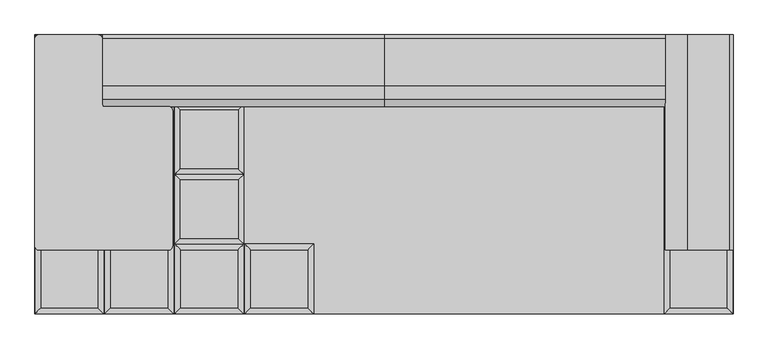
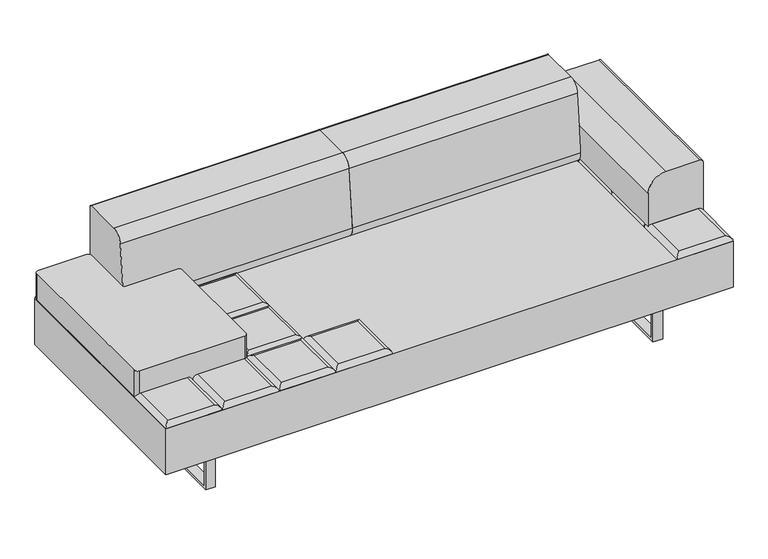
"""IFC4 building model written with IfcOpenShell, lengths in millimetres: furniture geometry."""

from ifc_helpers import new_model, si_unit, point, frame, frame_2d, origin, place, context, project, spatial, polyline, circle_curve, ellipse_curve, trimmed, segment, composite_curve, outline, extrude, source, transform, mapped, element, save
from ifc_brep_helpers import plane_surface, cylinder_surface, advanced_brep


def furniture_63b3a1bb(model_context):
    return source(origin(), model_context, "Body", "SolidModel", [
        advanced_brep(
        [(-223.9433333, -222.25, 393.7), (-241.9038456, -240.2105122, 411.6605122), (-241.9038456, -426.5394878, 411.6605122), (-223.9433333, -444.5, 393.7), (-425.6928211, -426.5394878, 411.6605122), (-443.6533333, -444.5, 393.7), (-425.6928211, -240.2105122, 411.6605122), (-443.6533333, -222.25, 393.7)],
        [
            (0, 1, ellipse_curve(frame((-241.9038456, -240.2105122, 393.7), z_axis=(0.7071067811865475, -0.7071067811865475, 0.0), x_axis=(0.7071067811865474, 0.7071067811865476, 0.0)), 25.4, 17.9605122)),
            (1, 2),
            (2, 3, ellipse_curve(frame((-241.9038456, -426.5394878, 393.7), z_axis=(0.7071067811865475, 0.7071067811865475, 0.0), x_axis=(-0.7071067811865474, 0.7071067811865476, 0.0)), 25.4, 17.9605122)),
            (3, 0),
            (2, 4),
            (4, 5, ellipse_curve(frame((-425.6928211, -426.5394878, 393.7), z_axis=(0.7071067811865475, -0.7071067811865475, 0.0), x_axis=(0.7071067811865476, 0.7071067811865474, 0.0)), 25.4, 17.9605122)),
            (5, 3),
            (4, 6),
            (6, 7, ellipse_curve(frame((-425.6928211, -240.2105122, 393.7), z_axis=(-0.7071067811865475, -0.7071067811865475, 0.0), x_axis=(0.7071067811865474, -0.7071067811865476, 0.0)), 25.4, 17.9605122)),
            (7, 5),
            (0, 7),
            (6, 1),
        ],
        [
            cylinder_surface(frame((-241.9038456, -222.25, 393.7), z_axis=(0.0, 1.0, 0.0), x_axis=(1.0, 0.0, 0.0)), 17.9605122),
            cylinder_surface(frame((-223.9433333, -426.5394878, 393.7), z_axis=(1.0, 0.0, 0.0), x_axis=(0.0, -1.0, 0.0)), 17.9605122),
            cylinder_surface(frame((-425.6928211, -444.5, 393.7), z_axis=(0.0, -1.0, 0.0), x_axis=(-1.0, 0.0, 0.0)), 17.9605122),
            cylinder_surface(frame((-443.6533333, -240.2105122, 393.7), z_axis=(-1.0, 0.0, 0.0), x_axis=(0.0, 1.0, 0.0)), 17.9605122),
            plane_surface(frame((-443.6533333, -222.25, 393.7), z_axis=(0.0, 0.0, -1.0), x_axis=(1.0, 0.0, 0.0))),
            plane_surface(frame((-425.6928211, -240.2105122, 411.6605122), z_axis=(0.0, 0.0, 1.0), x_axis=(-1.0, 0.0, 0.0))),
        ],
        [
            (0, [[1, 2, 3, 4]]),
            (1, [[-3, 5, 6, 7]]),
            (2, [[-6, 8, 9, 10]]),
            (3, [[-1, 11, -9, 12]]),
            (4, [[-4, -7, -10, -11]]),
            (5, [[-2, -12, -8, -5]]),
        ],
    ),
        advanced_brep(
        [(-464.4360678, -204.2894878, 411.6605122), (-464.4360678, -17.9605122, 411.6605122), (-648.2250433, -17.9605122, 411.6605122), (-648.2250433, -204.2894878, 411.6605122), (-446.4755556, 0.0, 393.7), (-446.4755556, -222.25, 393.7), (-666.1855556, -222.25, 393.7), (-666.1855556, 0.0, 393.7)],
        [
            (0, 1),
            (1, 2),
            (2, 3),
            (3, 0),
            (4, 5),
            (5, 6),
            (6, 7),
            (7, 4),
            (4, 1, ellipse_curve(frame((-464.4360678, -17.9605122, 393.7), z_axis=(0.7071067811865475, -0.7071067811865475, 0.0), x_axis=(0.7071067811865474, 0.7071067811865476, 0.0)), 25.4, 17.9605122)),
            (0, 5, ellipse_curve(frame((-464.4360678, -204.2894878, 393.7), z_axis=(0.7071067811865475, 0.7071067811865475, 0.0), x_axis=(-0.7071067811865474, 0.7071067811865476, 0.0)), 25.4, 17.9605122)),
            (3, 6, ellipse_curve(frame((-648.2250433, -204.2894878, 393.7), z_axis=(0.7071067811865475, -0.7071067811865475, 0.0), x_axis=(0.7071067811865476, 0.7071067811865474, 0.0)), 25.4, 17.9605122)),
            (2, 7, ellipse_curve(frame((-648.2250433, -17.9605122, 393.7), z_axis=(-0.7071067811865475, -0.7071067811865475, 0.0), x_axis=(0.7071067811865474, -0.7071067811865476, 0.0)), 25.4, 17.9605122)),
        ],
        [
            plane_surface(frame((-648.2250433, -17.9605122, 411.6605122), z_axis=(0.0, 0.0, 1.0), x_axis=(-1.0, 0.0, 0.0))),
            plane_surface(frame((-648.2250433, -17.9605122, 393.7), z_axis=(0.0, 0.0, -1.0), x_axis=(1.0, 0.0, 0.0))),
            cylinder_surface(frame((-464.4360678, 0.0, 393.7), z_axis=(0.0, 1.0, 0.0), x_axis=(1.0, 0.0, 0.0)), 17.9605122),
            cylinder_surface(frame((-446.4755556, -204.2894878, 393.7), z_axis=(1.0, 0.0, 0.0), x_axis=(0.0, -1.0, 0.0)), 17.9605122),
            cylinder_surface(frame((-648.2250433, -222.25, 393.7), z_axis=(0.0, -1.0, 0.0), x_axis=(-1.0, 0.0, 0.0)), 17.9605122),
            cylinder_surface(frame((-666.1855556, -17.9605122, 393.7), z_axis=(-1.0, 0.0, 0.0), x_axis=(0.0, 1.0, 0.0)), 17.9605122),
        ],
        [
            (0, [[1, 2, 3, 4]]),
            (1, [[5, 6, 7, 8]]),
            (2, [[9, -1, 10, -5]]),
            (3, [[-10, -4, 11, -6]]),
            (4, [[-11, -3, 12, -7]]),
            (5, [[-9, -8, -12, -2]]),
        ],
    ),
        advanced_brep(
        [(-464.4360678, 17.9605122, 411.6605122), (-464.4360678, 204.2894878, 411.6605122), (-648.2250433, 204.2894878, 411.6605122), (-648.2250433, 17.9605122, 411.6605122), (-446.4755556, 222.25, 393.7), (-446.4755556, 0.0, 393.7), (-666.1855556, 0.0, 393.7), (-666.1855556, 222.25, 393.7)],
        [
            (0, 1),
            (1, 2),
            (2, 3),
            (3, 0),
            (4, 5),
            (5, 6),
            (6, 7),
            (7, 4),
            (4, 1, ellipse_curve(frame((-464.4360678, 204.2894878, 393.7), z_axis=(0.7071067811865475, -0.7071067811865475, 0.0), x_axis=(0.7071067811865474, 0.7071067811865476, 0.0)), 25.4, 17.9605122)),
            (0, 5, ellipse_curve(frame((-464.4360678, 17.9605122, 393.7), z_axis=(0.7071067811865475, 0.7071067811865475, 0.0), x_axis=(-0.7071067811865474, 0.7071067811865476, 0.0)), 25.4, 17.9605122)),
            (3, 6, ellipse_curve(frame((-648.2250433, 17.9605122, 393.7), z_axis=(0.7071067811865475, -0.7071067811865475, 0.0), x_axis=(0.7071067811865476, 0.7071067811865474, 0.0)), 25.4, 17.9605122)),
            (2, 7, ellipse_curve(frame((-648.2250433, 204.2894878, 393.7), z_axis=(-0.7071067811865475, -0.7071067811865475, 0.0), x_axis=(0.7071067811865474, -0.7071067811865476, 0.0)), 25.4, 17.9605122)),
        ],
        [
            plane_surface(frame((-648.2250433, 204.2894878, 411.6605122), z_axis=(0.0, 0.0, 1.0), x_axis=(-1.0, 0.0, 0.0))),
            plane_surface(frame((-648.2250433, 204.2894878, 393.7), z_axis=(0.0, 0.0, -1.0), x_axis=(1.0, 0.0, 0.0))),
            cylinder_surface(frame((-464.4360678, 222.25, 393.7), z_axis=(0.0, 1.0, 0.0), x_axis=(1.0, 0.0, 0.0)), 17.9605122),
            cylinder_surface(frame((-446.4755556, 17.9605122, 393.7), z_axis=(1.0, 0.0, 0.0), x_axis=(0.0, -1.0, 0.0)), 17.9605122),
            cylinder_surface(frame((-648.2250433, 0.0, 393.7), z_axis=(0.0, -1.0, 0.0), x_axis=(-1.0, 0.0, 0.0)), 17.9605122),
            cylinder_surface(frame((-666.1855556, 204.2894878, 393.7), z_axis=(-1.0, 0.0, 0.0), x_axis=(0.0, 1.0, 0.0)), 17.9605122),
        ],
        [
            (0, [[1, 2, 3, 4]]),
            (1, [[5, 6, 7, 8]]),
            (2, [[9, -1, 10, -5]]),
            (3, [[-10, -4, 11, -6]]),
            (4, [[-11, -3, 12, -7]]),
            (5, [[-9, -8, -12, -2]]),
        ],
    ),
        advanced_brep(
        [(-464.4360678, 240.2105122, 411.6605122), (-464.4360678, 426.5394878, 411.6605122), (-648.2250433, 426.5394878, 411.6605122), (-648.2250433, 240.2105122, 411.6605122), (-446.4755556, 444.5, 393.7), (-446.4755556, 222.25, 393.7), (-666.1855556, 222.25, 393.7), (-666.1855556, 444.5, 393.7)],
        [
            (0, 1),
            (1, 2),
            (2, 3),
            (3, 0),
            (4, 5),
            (5, 6),
            (6, 7),
            (7, 4),
            (4, 1, ellipse_curve(frame((-464.4360678, 426.5394878, 393.7), z_axis=(0.7071067811865475, -0.7071067811865475, 0.0), x_axis=(0.7071067811865474, 0.7071067811865476, 0.0)), 25.4, 17.9605122)),
            (0, 5, ellipse_curve(frame((-464.4360678, 240.2105122, 393.7), z_axis=(0.7071067811865475, 0.7071067811865475, 0.0), x_axis=(-0.7071067811865474, 0.7071067811865476, 0.0)), 25.4, 17.9605122)),
            (3, 6, ellipse_curve(frame((-648.2250433, 240.2105122, 393.7), z_axis=(0.7071067811865475, -0.7071067811865475, 0.0), x_axis=(0.7071067811865476, 0.7071067811865474, 0.0)), 25.4, 17.9605122)),
            (2, 7, ellipse_curve(frame((-648.2250433, 426.5394878, 393.7), z_axis=(-0.7071067811865475, -0.7071067811865475, 0.0), x_axis=(0.7071067811865474, -0.7071067811865476, 0.0)), 25.4, 17.9605122)),
        ],
        [
            plane_surface(frame((-648.2250433, 426.5394878, 411.6605122), z_axis=(0.0, 0.0, 1.0), x_axis=(-1.0, 0.0, 0.0))),
            plane_surface(frame((-648.2250433, 426.5394878, 393.7), z_axis=(0.0, 0.0, -1.0), x_axis=(1.0, 0.0, 0.0))),
            cylinder_surface(frame((-464.4360678, 444.5, 393.7), z_axis=(0.0, 1.0, 0.0), x_axis=(1.0, 0.0, 0.0)), 17.9605122),
            cylinder_surface(frame((-446.4755556, 240.2105122, 393.7), z_axis=(1.0, 0.0, 0.0), x_axis=(0.0, -1.0, 0.0)), 17.9605122),
            cylinder_surface(frame((-648.2250433, 222.25, 393.7), z_axis=(0.0, -1.0, 0.0), x_axis=(-1.0, 0.0, 0.0)), 17.9605122),
            cylinder_surface(frame((-666.1855556, 426.5394878, 393.7), z_axis=(-1.0, 0.0, 0.0), x_axis=(0.0, 1.0, 0.0)), 17.9605122),
        ],
        [
            (0, [[1, 2, 3, 4]]),
            (1, [[5, 6, 7, 8]]),
            (2, [[9, -1, 10, -5]]),
            (3, [[-10, -4, 11, -6]]),
            (4, [[-11, -3, 12, -7]]),
            (5, [[-9, -8, -12, -2]]),
        ],
    ),
        advanced_brep(
        [(-446.4755556, -222.25, 393.7), (-464.4360678, -240.2105122, 411.6605122), (-464.4360678, -426.5394878, 411.6605122), (-446.4755556, -444.5, 393.7), (-648.2250433, -426.5394878, 411.6605122), (-666.1855556, -444.5, 393.7), (-648.2250433, -240.2105122, 411.6605122), (-666.1855556, -222.25, 393.7)],
        [
            (0, 1, ellipse_curve(frame((-464.4360678, -240.2105122, 393.7), z_axis=(0.7071067811865475, -0.7071067811865475, 0.0), x_axis=(0.7071067811865474, 0.7071067811865476, 0.0)), 25.4, 17.9605122)),
            (1, 2),
            (2, 3, ellipse_curve(frame((-464.4360678, -426.5394878, 393.7), z_axis=(0.7071067811865475, 0.7071067811865475, 0.0), x_axis=(-0.7071067811865474, 0.7071067811865476, 0.0)), 25.4, 17.9605122)),
            (3, 0),
            (2, 4),
            (4, 5, ellipse_curve(frame((-648.2250433, -426.5394878, 393.7), z_axis=(0.7071067811865475, -0.7071067811865475, 0.0), x_axis=(0.7071067811865476, 0.7071067811865474, 0.0)), 25.4, 17.9605122)),
            (5, 3),
            (4, 6),
            (6, 7, ellipse_curve(frame((-648.2250433, -240.2105122, 393.7), z_axis=(-0.7071067811865475, -0.7071067811865475, 0.0), x_axis=(0.7071067811865474, -0.7071067811865476, 0.0)), 25.4, 17.9605122)),
            (7, 5),
            (0, 7),
            (6, 1),
        ],
        [
            cylinder_surface(frame((-464.4360678, -222.25, 393.7), z_axis=(0.0, 1.0, 0.0), x_axis=(1.0, 0.0, 0.0)), 17.9605122),
            cylinder_surface(frame((-446.4755556, -426.5394878, 393.7), z_axis=(1.0, 0.0, 0.0), x_axis=(0.0, -1.0, 0.0)), 17.9605122),
            cylinder_surface(frame((-648.2250433, -444.5, 393.7), z_axis=(0.0, -1.0, 0.0), x_axis=(-1.0, 0.0, 0.0)), 17.9605122),
            cylinder_surface(frame((-666.1855556, -240.2105122, 393.7), z_axis=(-1.0, 0.0, 0.0), x_axis=(0.0, 1.0, 0.0)), 17.9605122),
            plane_surface(frame((-666.1855556, -222.25, 393.7), z_axis=(0.0, 0.0, -1.0), x_axis=(1.0, 0.0, 0.0))),
            plane_surface(frame((-648.2250433, -240.2105122, 411.6605122), z_axis=(0.0, 0.0, 1.0), x_axis=(-1.0, 0.0, 0.0))),
        ],
        [
            (0, [[1, 2, 3, 4]]),
            (1, [[-3, 5, 6, 7]]),
            (2, [[-6, 8, 9, 10]]),
            (3, [[-1, 11, -9, 12]]),
            (4, [[-4, -7, -10, -11]]),
            (5, [[-2, -12, -8, -5]]),
        ],
    ),
        advanced_brep(
        [(-686.96829, -204.2894878, 411.6605122), (-686.96829, -17.9605122, 411.6605122), (-870.7572655, -17.9605122, 411.6605122), (-870.7572655, -204.2894878, 411.6605122), (-669.0077778, 0.0, 393.7), (-669.0077778, -222.25, 393.7), (-888.7177778, -222.25, 393.7), (-888.7177778, 0.0, 393.7)],
        [
            (0, 1),
            (1, 2),
            (2, 3),
            (3, 0),
            (4, 5),
            (5, 6),
            (6, 7),
            (7, 4),
            (4, 1, ellipse_curve(frame((-686.96829, -17.9605122, 393.7), z_axis=(0.7071067811865475, -0.7071067811865475, 0.0), x_axis=(0.7071067811865474, 0.7071067811865476, 0.0)), 25.4, 17.9605122)),
            (0, 5, ellipse_curve(frame((-686.96829, -204.2894878, 393.7), z_axis=(0.7071067811865475, 0.7071067811865475, 0.0), x_axis=(-0.7071067811865474, 0.7071067811865476, 0.0)), 25.4, 17.9605122)),
            (3, 6, ellipse_curve(frame((-870.7572655, -204.2894878, 393.7), z_axis=(0.7071067811865475, -0.7071067811865475, 0.0), x_axis=(0.7071067811865476, 0.7071067811865474, 0.0)), 25.4, 17.9605122)),
            (2, 7, ellipse_curve(frame((-870.7572655, -17.9605122, 393.7), z_axis=(-0.7071067811865475, -0.7071067811865475, 0.0), x_axis=(0.7071067811865474, -0.7071067811865476, 0.0)), 25.4, 17.9605122)),
        ],
        [
            plane_surface(frame((-870.7572655, -17.9605122, 411.6605122), z_axis=(0.0, 0.0, 1.0), x_axis=(-1.0, 0.0, 0.0))),
            plane_surface(frame((-870.7572655, -17.9605122, 393.7), z_axis=(0.0, 0.0, -1.0), x_axis=(1.0, 0.0, 0.0))),
            cylinder_surface(frame((-686.96829, 0.0, 393.7), z_axis=(0.0, 1.0, 0.0), x_axis=(1.0, 0.0, 0.0)), 17.9605122),
            cylinder_surface(frame((-669.0077778, -204.2894878, 393.7), z_axis=(1.0, 0.0, 0.0), x_axis=(0.0, -1.0, 0.0)), 17.9605122),
            cylinder_surface(frame((-870.7572655, -222.25, 393.7), z_axis=(0.0, -1.0, 0.0), x_axis=(-1.0, 0.0, 0.0)), 17.9605122),
            cylinder_surface(frame((-888.7177778, -17.9605122, 393.7), z_axis=(-1.0, 0.0, 0.0), x_axis=(0.0, 1.0, 0.0)), 17.9605122),
        ],
        [
            (0, [[1, 2, 3, 4]]),
            (1, [[5, 6, 7, 8]]),
            (2, [[9, -1, 10, -5]]),
            (3, [[-10, -4, 11, -6]]),
            (4, [[-11, -3, 12, -7]]),
            (5, [[-9, -8, -12, -2]]),
        ],
    ),
        advanced_brep(
        [(-686.96829, 17.9605122, 411.6605122), (-686.96829, 204.2894878, 411.6605122), (-870.7572655, 204.2894878, 411.6605122), (-870.7572655, 17.9605122, 411.6605122), (-669.0077778, 222.25, 393.7), (-669.0077778, 0.0, 393.7), (-888.7177778, 0.0, 393.7), (-888.7177778, 222.25, 393.7)],
        [
            (0, 1),
            (1, 2),
            (2, 3),
            (3, 0),
            (4, 5),
            (5, 6),
            (6, 7),
            (7, 4),
            (4, 1, ellipse_curve(frame((-686.96829, 204.2894878, 393.7), z_axis=(0.7071067811865475, -0.7071067811865475, 0.0), x_axis=(0.7071067811865474, 0.7071067811865476, 0.0)), 25.4, 17.9605122)),
            (0, 5, ellipse_curve(frame((-686.96829, 17.9605122, 393.7), z_axis=(0.7071067811865475, 0.7071067811865475, 0.0), x_axis=(-0.7071067811865474, 0.7071067811865476, 0.0)), 25.4, 17.9605122)),
            (3, 6, ellipse_curve(frame((-870.7572655, 17.9605122, 393.7), z_axis=(0.7071067811865475, -0.7071067811865475, 0.0), x_axis=(0.7071067811865476, 0.7071067811865474, 0.0)), 25.4, 17.9605122)),
            (2, 7, ellipse_curve(frame((-870.7572655, 204.2894878, 393.7), z_axis=(-0.7071067811865475, -0.7071067811865475, 0.0), x_axis=(0.7071067811865474, -0.7071067811865476, 0.0)), 25.4, 17.9605122)),
        ],
        [
            plane_surface(frame((-870.7572655, 204.2894878, 411.6605122), z_axis=(0.0, 0.0, 1.0), x_axis=(-1.0, 0.0, 0.0))),
            plane_surface(frame((-870.7572655, 204.2894878, 393.7), z_axis=(0.0, 0.0, -1.0), x_axis=(1.0, 0.0, 0.0))),
            cylinder_surface(frame((-686.96829, 222.25, 393.7), z_axis=(0.0, 1.0, 0.0), x_axis=(1.0, 0.0, 0.0)), 17.9605122),
            cylinder_surface(frame((-669.0077778, 17.9605122, 393.7), z_axis=(1.0, 0.0, 0.0), x_axis=(0.0, -1.0, 0.0)), 17.9605122),
            cylinder_surface(frame((-870.7572655, 0.0, 393.7), z_axis=(0.0, -1.0, 0.0), x_axis=(-1.0, 0.0, 0.0)), 17.9605122),
            cylinder_surface(frame((-888.7177778, 204.2894878, 393.7), z_axis=(-1.0, 0.0, 0.0), x_axis=(0.0, 1.0, 0.0)), 17.9605122),
        ],
        [
            (0, [[1, 2, 3, 4]]),
            (1, [[5, 6, 7, 8]]),
            (2, [[9, -1, 10, -5]]),
            (3, [[-10, -4, 11, -6]]),
            (4, [[-11, -3, 12, -7]]),
            (5, [[-9, -8, -12, -2]]),
        ],
    ),
        advanced_brep(
        [(-686.96829, 240.2105122, 411.6605122), (-686.96829, 426.5394878, 411.6605122), (-870.7572655, 426.5394878, 411.6605122), (-870.7572655, 240.2105122, 411.6605122), (-669.0077778, 444.5, 393.7), (-669.0077778, 222.25, 393.7), (-888.7177778, 222.25, 393.7), (-888.7177778, 444.5, 393.7)],
        [
            (0, 1),
            (1, 2),
            (2, 3),
            (3, 0),
            (4, 5),
            (5, 6),
            (6, 7),
            (7, 4),
            (4, 1, ellipse_curve(frame((-686.96829, 426.5394878, 393.7), z_axis=(0.7071067811865475, -0.7071067811865475, 0.0), x_axis=(0.7071067811865474, 0.7071067811865476, 0.0)), 25.4, 17.9605122)),
            (0, 5, ellipse_curve(frame((-686.96829, 240.2105122, 393.7), z_axis=(0.7071067811865475, 0.7071067811865475, 0.0), x_axis=(-0.7071067811865474, 0.7071067811865476, 0.0)), 25.4, 17.9605122)),
            (3, 6, ellipse_curve(frame((-870.7572655, 240.2105122, 393.7), z_axis=(0.7071067811865475, -0.7071067811865475, 0.0), x_axis=(0.7071067811865476, 0.7071067811865474, 0.0)), 25.4, 17.9605122)),
            (2, 7, ellipse_curve(frame((-870.7572655, 426.5394878, 393.7), z_axis=(-0.7071067811865475, -0.7071067811865475, 0.0), x_axis=(0.7071067811865474, -0.7071067811865476, 0.0)), 25.4, 17.9605122)),
        ],
        [
            plane_surface(frame((-870.7572655, 426.5394878, 411.6605122), z_axis=(0.0, 0.0, 1.0), x_axis=(-1.0, 0.0, 0.0))),
            plane_surface(frame((-870.7572655, 426.5394878, 393.7), z_axis=(0.0, 0.0, -1.0), x_axis=(1.0, 0.0, 0.0))),
            cylinder_surface(frame((-686.96829, 444.5, 393.7), z_axis=(0.0, 1.0, 0.0), x_axis=(1.0, 0.0, 0.0)), 17.9605122),
            cylinder_surface(frame((-669.0077778, 240.2105122, 393.7), z_axis=(1.0, 0.0, 0.0), x_axis=(0.0, -1.0, 0.0)), 17.9605122),
            cylinder_surface(frame((-870.7572655, 222.25, 393.7), z_axis=(0.0, -1.0, 0.0), x_axis=(-1.0, 0.0, 0.0)), 17.9605122),
            cylinder_surface(frame((-888.7177778, 426.5394878, 393.7), z_axis=(-1.0, 0.0, 0.0), x_axis=(0.0, 1.0, 0.0)), 17.9605122),
        ],
        [
            (0, [[1, 2, 3, 4]]),
            (1, [[5, 6, 7, 8]]),
            (2, [[9, -1, 10, -5]]),
            (3, [[-10, -4, 11, -6]]),
            (4, [[-11, -3, 12, -7]]),
            (5, [[-9, -8, -12, -2]]),
        ],
    ),
        advanced_brep(
        [(-669.0077778, -222.25, 393.7), (-686.96829, -240.2105122, 411.6605122), (-686.96829, -426.5394878, 411.6605122), (-669.0077778, -444.5, 393.7), (-870.7572655, -426.5394878, 411.6605122), (-888.7177778, -444.5, 393.7), (-870.7572655, -240.2105122, 411.6605122), (-888.7177778, -222.25, 393.7)],
        [
            (0, 1, ellipse_curve(frame((-686.96829, -240.2105122, 393.7), z_axis=(0.7071067811865475, -0.7071067811865475, 0.0), x_axis=(0.7071067811865474, 0.7071067811865476, 0.0)), 25.4, 17.9605122)),
            (1, 2),
            (2, 3, ellipse_curve(frame((-686.96829, -426.5394878, 393.7), z_axis=(0.7071067811865475, 0.7071067811865475, 0.0), x_axis=(-0.7071067811865474, 0.7071067811865476, 0.0)), 25.4, 17.9605122)),
            (3, 0),
            (2, 4),
            (4, 5, ellipse_curve(frame((-870.7572655, -426.5394878, 393.7), z_axis=(0.7071067811865475, -0.7071067811865475, 0.0), x_axis=(0.7071067811865476, 0.7071067811865474, 0.0)), 25.4, 17.9605122)),
            (5, 3),
            (4, 6),
            (6, 7, ellipse_curve(frame((-870.7572655, -240.2105122, 393.7), z_axis=(-0.7071067811865475, -0.7071067811865475, 0.0), x_axis=(0.7071067811865474, -0.7071067811865476, 0.0)), 25.4, 17.9605122)),
            (7, 5),
            (0, 7),
            (6, 1),
        ],
        [
            cylinder_surface(frame((-686.96829, -222.25, 393.7), z_axis=(0.0, 1.0, 0.0), x_axis=(1.0, 0.0, 0.0)), 17.9605122),
            cylinder_surface(frame((-669.0077778, -426.5394878, 393.7), z_axis=(1.0, 0.0, 0.0), x_axis=(0.0, -1.0, 0.0)), 17.9605122),
            cylinder_surface(frame((-870.7572655, -444.5, 393.7), z_axis=(0.0, -1.0, 0.0), x_axis=(-1.0, 0.0, 0.0)), 17.9605122),
            cylinder_surface(frame((-888.7177778, -240.2105122, 393.7), z_axis=(-1.0, 0.0, 0.0), x_axis=(0.0, 1.0, 0.0)), 17.9605122),
            plane_surface(frame((-888.7177778, -222.25, 393.7), z_axis=(0.0, 0.0, -1.0), x_axis=(1.0, 0.0, 0.0))),
            plane_surface(frame((-870.7572655, -240.2105122, 411.6605122), z_axis=(0.0, 0.0, 1.0), x_axis=(-1.0, 0.0, 0.0))),
        ],
        [
            (0, [[1, 2, 3, 4]]),
            (1, [[-3, 5, 6, 7]]),
            (2, [[-6, 8, 9, 10]]),
            (3, [[-1, 11, -9, 12]]),
            (4, [[-4, -7, -10, -11]]),
            (5, [[-2, -12, -8, -5]]),
        ],
    ),
        advanced_brep(
        [(1093.2894878, -204.2894878, 411.6605122), (1093.2894878, -17.9605122, 411.6605122), (909.5005122, -17.9605122, 411.6605122), (909.5005122, -204.2894878, 411.6605122), (1111.25, 0.0, 393.7), (1111.25, -222.25, 393.7), (891.54, -222.25, 393.7), (891.54, 0.0, 393.7)],
        [
            (0, 1),
            (1, 2),
            (2, 3),
            (3, 0),
            (4, 5),
            (5, 6),
            (6, 7),
            (7, 4),
            (4, 1, ellipse_curve(frame((1093.2894878, -17.9605122, 393.7), z_axis=(0.7071067811865475, -0.7071067811865475, 0.0), x_axis=(0.7071067811865474, 0.7071067811865476, 0.0)), 25.4, 17.9605122)),
            (0, 5, ellipse_curve(frame((1093.2894878, -204.2894878, 393.7), z_axis=(0.7071067811865475, 0.7071067811865475, 0.0), x_axis=(-0.7071067811865474, 0.7071067811865476, 0.0)), 25.4, 17.9605122)),
            (3, 6, ellipse_curve(frame((909.5005122, -204.2894878, 393.7), z_axis=(0.7071067811865475, -0.7071067811865475, 0.0), x_axis=(0.7071067811865476, 0.7071067811865474, 0.0)), 25.4, 17.9605122)),
            (2, 7, ellipse_curve(frame((909.5005122, -17.9605122, 393.7), z_axis=(-0.7071067811865475, -0.7071067811865475, 0.0), x_axis=(0.7071067811865474, -0.7071067811865476, 0.0)), 25.4, 17.9605122)),
        ],
        [
            plane_surface(frame((909.5005122, -17.9605122, 411.6605122), z_axis=(0.0, 0.0, 1.0), x_axis=(-1.0, 0.0, 0.0))),
            plane_surface(frame((909.5005122, -17.9605122, 393.7), z_axis=(0.0, 0.0, -1.0), x_axis=(1.0, 0.0, 0.0))),
            cylinder_surface(frame((1093.2894878, 0.0, 393.7), z_axis=(0.0, 1.0, 0.0), x_axis=(1.0, 0.0, 0.0)), 17.9605122),
            cylinder_surface(frame((1111.25, -204.2894878, 393.7), z_axis=(1.0, 0.0, 0.0), x_axis=(0.0, -1.0, 0.0)), 17.9605122),
            cylinder_surface(frame((909.5005122, -222.25, 393.7), z_axis=(0.0, -1.0, 0.0), x_axis=(-1.0, 0.0, 0.0)), 17.9605122),
            cylinder_surface(frame((891.54, -17.9605122, 393.7), z_axis=(-1.0, 0.0, 0.0), x_axis=(0.0, 1.0, 0.0)), 17.9605122),
        ],
        [
            (0, [[1, 2, 3, 4]]),
            (1, [[5, 6, 7, 8]]),
            (2, [[9, -1, 10, -5]]),
            (3, [[-10, -4, 11, -6]]),
            (4, [[-11, -3, 12, -7]]),
            (5, [[-9, -8, -12, -2]]),
        ],
    ),
        advanced_brep(
        [(1093.2894878, 17.9605122, 411.6605122), (1093.2894878, 204.2894878, 411.6605122), (909.5005122, 204.2894878, 411.6605122), (909.5005122, 17.9605122, 411.6605122), (1111.25, 222.25, 393.7), (1111.25, 0.0, 393.7), (891.54, 0.0, 393.7), (891.54, 222.25, 393.7)],
        [
            (0, 1),
            (1, 2),
            (2, 3),
            (3, 0),
            (4, 5),
            (5, 6),
            (6, 7),
            (7, 4),
            (4, 1, ellipse_curve(frame((1093.2894878, 204.2894878, 393.7), z_axis=(0.7071067811865475, -0.7071067811865475, 0.0), x_axis=(0.7071067811865474, 0.7071067811865476, 0.0)), 25.4, 17.9605122)),
            (0, 5, ellipse_curve(frame((1093.2894878, 17.9605122, 393.7), z_axis=(0.7071067811865475, 0.7071067811865475, 0.0), x_axis=(-0.7071067811865474, 0.7071067811865476, 0.0)), 25.4, 17.9605122)),
            (3, 6, ellipse_curve(frame((909.5005122, 17.9605122, 393.7), z_axis=(0.7071067811865475, -0.7071067811865475, 0.0), x_axis=(0.7071067811865476, 0.7071067811865474, 0.0)), 25.4, 17.9605122)),
            (2, 7, ellipse_curve(frame((909.5005122, 204.2894878, 393.7), z_axis=(-0.7071067811865475, -0.7071067811865475, 0.0), x_axis=(0.7071067811865474, -0.7071067811865476, 0.0)), 25.4, 17.9605122)),
        ],
        [
            plane_surface(frame((909.5005122, 204.2894878, 411.6605122), z_axis=(0.0, 0.0, 1.0), x_axis=(-1.0, 0.0, 0.0))),
            plane_surface(frame((909.5005122, 204.2894878, 393.7), z_axis=(0.0, 0.0, -1.0), x_axis=(1.0, 0.0, 0.0))),
            cylinder_surface(frame((1093.2894878, 222.25, 393.7), z_axis=(0.0, 1.0, 0.0), x_axis=(1.0, 0.0, 0.0)), 17.9605122),
            cylinder_surface(frame((1111.25, 17.9605122, 393.7), z_axis=(1.0, 0.0, 0.0), x_axis=(0.0, -1.0, 0.0)), 17.9605122),
            cylinder_surface(frame((909.5005122, 0.0, 393.7), z_axis=(0.0, -1.0, 0.0), x_axis=(-1.0, 0.0, 0.0)), 17.9605122),
            cylinder_surface(frame((891.54, 204.2894878, 393.7), z_axis=(-1.0, 0.0, 0.0), x_axis=(0.0, 1.0, 0.0)), 17.9605122),
        ],
        [
            (0, [[1, 2, 3, 4]]),
            (1, [[5, 6, 7, 8]]),
            (2, [[9, -1, 10, -5]]),
            (3, [[-10, -4, 11, -6]]),
            (4, [[-11, -3, 12, -7]]),
            (5, [[-9, -8, -12, -2]]),
        ],
    ),
        advanced_brep(
        [(1093.2894878, 240.2105122, 411.6605122), (1093.2894878, 426.5394878, 411.6605122), (909.5005122, 426.5394878, 411.6605122), (909.5005122, 240.2105122, 411.6605122), (1111.25, 444.5, 393.7), (1111.25, 222.25, 393.7), (891.54, 222.25, 393.7), (891.54, 444.5, 393.7)],
        [
            (0, 1),
            (1, 2),
            (2, 3),
            (3, 0),
            (4, 5),
            (5, 6),
            (6, 7),
            (7, 4),
            (4, 1, ellipse_curve(frame((1093.2894878, 426.5394878, 393.7), z_axis=(0.7071067811865475, -0.7071067811865475, 0.0), x_axis=(0.7071067811865474, 0.7071067811865476, 0.0)), 25.4, 17.9605122)),
            (0, 5, ellipse_curve(frame((1093.2894878, 240.2105122, 393.7), z_axis=(0.7071067811865475, 0.7071067811865475, 0.0), x_axis=(-0.7071067811865474, 0.7071067811865476, 0.0)), 25.4, 17.9605122)),
            (3, 6, ellipse_curve(frame((909.5005122, 240.2105122, 393.7), z_axis=(0.7071067811865475, -0.7071067811865475, 0.0), x_axis=(0.7071067811865476, 0.7071067811865474, 0.0)), 25.4, 17.9605122)),
            (2, 7, ellipse_curve(frame((909.5005122, 426.5394878, 393.7), z_axis=(-0.7071067811865475, -0.7071067811865475, 0.0), x_axis=(0.7071067811865474, -0.7071067811865476, 0.0)), 25.4, 17.9605122)),
        ],
        [
            plane_surface(frame((909.5005122, 426.5394878, 411.6605122), z_axis=(0.0, 0.0, 1.0), x_axis=(-1.0, 0.0, 0.0))),
            plane_surface(frame((909.5005122, 426.5394878, 393.7), z_axis=(0.0, 0.0, -1.0), x_axis=(1.0, 0.0, 0.0))),
            cylinder_surface(frame((1093.2894878, 444.5, 393.7), z_axis=(0.0, 1.0, 0.0), x_axis=(1.0, 0.0, 0.0)), 17.9605122),
            cylinder_surface(frame((1111.25, 240.2105122, 393.7), z_axis=(1.0, 0.0, 0.0), x_axis=(0.0, -1.0, 0.0)), 17.9605122),
            cylinder_surface(frame((909.5005122, 222.25, 393.7), z_axis=(0.0, -1.0, 0.0), x_axis=(-1.0, 0.0, 0.0)), 17.9605122),
            cylinder_surface(frame((891.54, 426.5394878, 393.7), z_axis=(-1.0, 0.0, 0.0), x_axis=(0.0, 1.0, 0.0)), 17.9605122),
        ],
        [
            (0, [[1, 2, 3, 4]]),
            (1, [[5, 6, 7, 8]]),
            (2, [[9, -1, 10, -5]]),
            (3, [[-10, -4, 11, -6]]),
            (4, [[-11, -3, 12, -7]]),
            (5, [[-9, -8, -12, -2]]),
        ],
    ),
        advanced_brep(
        [(1111.25, -222.25, 393.7), (1093.2894878, -240.2105122, 411.6605122), (1093.2894878, -426.5394878, 411.6605122), (1111.25, -444.5, 393.7), (909.5005122, -426.5394878, 411.6605122), (891.54, -444.5, 393.7), (909.5005122, -240.2105122, 411.6605122), (891.54, -222.25, 393.7)],
        [
            (0, 1, ellipse_curve(frame((1093.2894878, -240.2105122, 393.7), z_axis=(0.7071067811865475, -0.7071067811865475, 0.0), x_axis=(0.7071067811865474, 0.7071067811865476, 0.0)), 25.4, 17.9605122)),
            (1, 2),
            (2, 3, ellipse_curve(frame((1093.2894878, -426.5394878, 393.7), z_axis=(0.7071067811865475, 0.7071067811865475, 0.0), x_axis=(-0.7071067811865474, 0.7071067811865476, 0.0)), 25.4, 17.9605122)),
            (3, 0),
            (2, 4),
            (4, 5, ellipse_curve(frame((909.5005122, -426.5394878, 393.7), z_axis=(0.7071067811865475, -0.7071067811865475, 0.0), x_axis=(0.7071067811865476, 0.7071067811865474, 0.0)), 25.4, 17.9605122)),
            (5, 3),
            (4, 6),
            (6, 7, ellipse_curve(frame((909.5005122, -240.2105122, 393.7), z_axis=(-0.7071067811865475, -0.7071067811865475, 0.0), x_axis=(0.7071067811865474, -0.7071067811865476, 0.0)), 25.4, 17.9605122)),
            (7, 5),
            (0, 7),
            (6, 1),
        ],
        [
            cylinder_surface(frame((1093.2894878, -222.25, 393.7), z_axis=(0.0, 1.0, 0.0), x_axis=(1.0, 0.0, 0.0)), 17.9605122),
            cylinder_surface(frame((1111.25, -426.5394878, 393.7), z_axis=(1.0, 0.0, 0.0), x_axis=(0.0, -1.0, 0.0)), 17.9605122),
            cylinder_surface(frame((909.5005122, -444.5, 393.7), z_axis=(0.0, -1.0, 0.0), x_axis=(-1.0, 0.0, 0.0)), 17.9605122),
            cylinder_surface(frame((891.54, -240.2105122, 393.7), z_axis=(-1.0, 0.0, 0.0), x_axis=(0.0, 1.0, 0.0)), 17.9605122),
            plane_surface(frame((891.54, -222.25, 393.7), z_axis=(0.0, 0.0, -1.0), x_axis=(1.0, 0.0, 0.0))),
            plane_surface(frame((909.5005122, -240.2105122, 411.6605122), z_axis=(0.0, 0.0, 1.0), x_axis=(-1.0, 0.0, 0.0))),
        ],
        [
            (0, [[1, 2, 3, 4]]),
            (1, [[-3, 5, 6, 7]]),
            (2, [[-6, 8, 9, 10]]),
            (3, [[-1, 11, -9, 12]]),
            (4, [[-4, -7, -10, -11]]),
            (5, [[-2, -12, -8, -5]]),
        ],
    ),
        advanced_brep(
        [(-909.5005122, -204.2894878, 411.6605122), (-909.5005122, -17.9605122, 411.6605122), (-1093.2894878, -17.9605122, 411.6605122), (-1093.2894878, -204.2894878, 411.6605122), (-891.54, 0.0, 393.7), (-891.54, -222.25, 393.7), (-1111.25, -222.25, 393.7), (-1111.25, 0.0, 393.7)],
        [
            (0, 1),
            (1, 2),
            (2, 3),
            (3, 0),
            (4, 5),
            (5, 6),
            (6, 7),
            (7, 4),
            (4, 1, ellipse_curve(frame((-909.5005122, -17.9605122, 393.7), z_axis=(0.7071067811865475, -0.7071067811865475, 0.0), x_axis=(0.7071067811865474, 0.7071067811865476, 0.0)), 25.4, 17.9605122)),
            (0, 5, ellipse_curve(frame((-909.5005122, -204.2894878, 393.7), z_axis=(0.7071067811865475, 0.7071067811865475, 0.0), x_axis=(-0.7071067811865474, 0.7071067811865476, 0.0)), 25.4, 17.9605122)),
            (3, 6, ellipse_curve(frame((-1093.2894878, -204.2894878, 393.7), z_axis=(0.7071067811865475, -0.7071067811865475, 0.0), x_axis=(0.7071067811865476, 0.7071067811865474, 0.0)), 25.4, 17.9605122)),
            (2, 7, ellipse_curve(frame((-1093.2894878, -17.9605122, 393.7), z_axis=(-0.7071067811865475, -0.7071067811865475, 0.0), x_axis=(0.7071067811865474, -0.7071067811865476, 0.0)), 25.4, 17.9605122)),
        ],
        [
            plane_surface(frame((-1093.2894878, -17.9605122, 411.6605122), z_axis=(0.0, 0.0, 1.0), x_axis=(-1.0, 0.0, 0.0))),
            plane_surface(frame((-1093.2894878, -17.9605122, 393.7), z_axis=(0.0, 0.0, -1.0), x_axis=(1.0, 0.0, 0.0))),
            cylinder_surface(frame((-909.5005122, 0.0, 393.7), z_axis=(0.0, 1.0, 0.0), x_axis=(1.0, 0.0, 0.0)), 17.9605122),
            cylinder_surface(frame((-891.54, -204.2894878, 393.7), z_axis=(1.0, 0.0, 0.0), x_axis=(0.0, -1.0, 0.0)), 17.9605122),
            cylinder_surface(frame((-1093.2894878, -222.25, 393.7), z_axis=(0.0, -1.0, 0.0), x_axis=(-1.0, 0.0, 0.0)), 17.9605122),
            cylinder_surface(frame((-1111.25, -17.9605122, 393.7), z_axis=(-1.0, 0.0, 0.0), x_axis=(0.0, 1.0, 0.0)), 17.9605122),
        ],
        [
            (0, [[1, 2, 3, 4]]),
            (1, [[5, 6, 7, 8]]),
            (2, [[9, -1, 10, -5]]),
            (3, [[-10, -4, 11, -6]]),
            (4, [[-11, -3, 12, -7]]),
            (5, [[-9, -8, -12, -2]]),
        ],
    ),
        advanced_brep(
        [(-909.5005122, 17.9605122, 411.6605122), (-909.5005122, 204.2894878, 411.6605122), (-1093.2894878, 204.2894878, 411.6605122), (-1093.2894878, 17.9605122, 411.6605122), (-891.54, 222.25, 393.7), (-891.54, 0.0, 393.7), (-1111.25, 0.0, 393.7), (-1111.25, 222.25, 393.7)],
        [
            (0, 1),
            (1, 2),
            (2, 3),
            (3, 0),
            (4, 5),
            (5, 6),
            (6, 7),
            (7, 4),
            (4, 1, ellipse_curve(frame((-909.5005122, 204.2894878, 393.7), z_axis=(0.7071067811865475, -0.7071067811865475, 0.0), x_axis=(0.7071067811865474, 0.7071067811865476, 0.0)), 25.4, 17.9605122)),
            (0, 5, ellipse_curve(frame((-909.5005122, 17.9605122, 393.7), z_axis=(0.7071067811865475, 0.7071067811865475, 0.0), x_axis=(-0.7071067811865474, 0.7071067811865476, 0.0)), 25.4, 17.9605122)),
            (3, 6, ellipse_curve(frame((-1093.2894878, 17.9605122, 393.7), z_axis=(0.7071067811865475, -0.7071067811865475, 0.0), x_axis=(0.7071067811865476, 0.7071067811865474, 0.0)), 25.4, 17.9605122)),
            (2, 7, ellipse_curve(frame((-1093.2894878, 204.2894878, 393.7), z_axis=(-0.7071067811865475, -0.7071067811865475, 0.0), x_axis=(0.7071067811865474, -0.7071067811865476, 0.0)), 25.4, 17.9605122)),
        ],
        [
            plane_surface(frame((-1093.2894878, 204.2894878, 411.6605122), z_axis=(0.0, 0.0, 1.0), x_axis=(-1.0, 0.0, 0.0))),
            plane_surface(frame((-1093.2894878, 204.2894878, 393.7), z_axis=(0.0, 0.0, -1.0), x_axis=(1.0, 0.0, 0.0))),
            cylinder_surface(frame((-909.5005122, 222.25, 393.7), z_axis=(0.0, 1.0, 0.0), x_axis=(1.0, 0.0, 0.0)), 17.9605122),
            cylinder_surface(frame((-891.54, 17.9605122, 393.7), z_axis=(1.0, 0.0, 0.0), x_axis=(0.0, -1.0, 0.0)), 17.9605122),
            cylinder_surface(frame((-1093.2894878, 0.0, 393.7), z_axis=(0.0, -1.0, 0.0), x_axis=(-1.0, 0.0, 0.0)), 17.9605122),
            cylinder_surface(frame((-1111.25, 204.2894878, 393.7), z_axis=(-1.0, 0.0, 0.0), x_axis=(0.0, 1.0, 0.0)), 17.9605122),
        ],
        [
            (0, [[1, 2, 3, 4]]),
            (1, [[5, 6, 7, 8]]),
            (2, [[9, -1, 10, -5]]),
            (3, [[-10, -4, 11, -6]]),
            (4, [[-11, -3, 12, -7]]),
            (5, [[-9, -8, -12, -2]]),
        ],
    ),
        advanced_brep(
        [(-909.5005122, 240.2105122, 411.6605122), (-909.5005122, 426.5394878, 411.6605122), (-1093.2894878, 426.5394878, 411.6605122), (-1093.2894878, 240.2105122, 411.6605122), (-891.54, 444.5, 393.7), (-891.54, 222.25, 393.7), (-1111.25, 222.25, 393.7), (-1111.25, 444.5, 393.7)],
        [
            (0, 1),
            (1, 2),
            (2, 3),
            (3, 0),
            (4, 5),
            (5, 6),
            (6, 7),
            (7, 4),
            (4, 1, ellipse_curve(frame((-909.5005122, 426.5394878, 393.7), z_axis=(0.7071067811865475, -0.7071067811865475, 0.0), x_axis=(0.7071067811865474, 0.7071067811865476, 0.0)), 25.4, 17.9605122)),
            (0, 5, ellipse_curve(frame((-909.5005122, 240.2105122, 393.7), z_axis=(0.7071067811865475, 0.7071067811865475, 0.0), x_axis=(-0.7071067811865474, 0.7071067811865476, 0.0)), 25.4, 17.9605122)),
            (3, 6, ellipse_curve(frame((-1093.2894878, 240.2105122, 393.7), z_axis=(0.7071067811865475, -0.7071067811865475, 0.0), x_axis=(0.7071067811865476, 0.7071067811865474, 0.0)), 25.4, 17.9605122)),
            (2, 7, ellipse_curve(frame((-1093.2894878, 426.5394878, 393.7), z_axis=(-0.7071067811865475, -0.7071067811865475, 0.0), x_axis=(0.7071067811865474, -0.7071067811865476, 0.0)), 25.4, 17.9605122)),
        ],
        [
            plane_surface(frame((-1093.2894878, 426.5394878, 411.6605122), z_axis=(0.0, 0.0, 1.0), x_axis=(-1.0, 0.0, 0.0))),
            plane_surface(frame((-1093.2894878, 426.5394878, 393.7), z_axis=(0.0, 0.0, -1.0), x_axis=(1.0, 0.0, 0.0))),
            cylinder_surface(frame((-909.5005122, 444.5, 393.7), z_axis=(0.0, 1.0, 0.0), x_axis=(1.0, 0.0, 0.0)), 17.9605122),
            cylinder_surface(frame((-891.54, 240.2105122, 393.7), z_axis=(1.0, 0.0, 0.0), x_axis=(0.0, -1.0, 0.0)), 17.9605122),
            cylinder_surface(frame((-1093.2894878, 222.25, 393.7), z_axis=(0.0, -1.0, 0.0), x_axis=(-1.0, 0.0, 0.0)), 17.9605122),
            cylinder_surface(frame((-1111.25, 426.5394878, 393.7), z_axis=(-1.0, 0.0, 0.0), x_axis=(0.0, 1.0, 0.0)), 17.9605122),
        ],
        [
            (0, [[1, 2, 3, 4]]),
            (1, [[5, 6, 7, 8]]),
            (2, [[9, -1, 10, -5]]),
            (3, [[-10, -4, 11, -6]]),
            (4, [[-11, -3, 12, -7]]),
            (5, [[-9, -8, -12, -2]]),
        ],
    ),
        advanced_brep(
        [(-891.54, -222.25, 393.7), (-909.5005122, -240.2105122, 411.6605122), (-909.5005122, -426.5394878, 411.6605122), (-891.54, -444.5, 393.7), (-1093.2894878, -426.5394878, 411.6605122), (-1111.25, -444.5, 393.7), (-1093.2894878, -240.2105122, 411.6605122), (-1111.25, -222.25, 393.7)],
        [
            (0, 1, ellipse_curve(frame((-909.5005122, -240.2105122, 393.7), z_axis=(0.7071067811865475, -0.7071067811865475, 0.0), x_axis=(0.7071067811865474, 0.7071067811865476, 0.0)), 25.4, 17.9605122)),
            (1, 2),
            (2, 3, ellipse_curve(frame((-909.5005122, -426.5394878, 393.7), z_axis=(0.7071067811865475, 0.7071067811865475, 0.0), x_axis=(-0.7071067811865474, 0.7071067811865476, 0.0)), 25.4, 17.9605122)),
            (3, 0),
            (2, 4),
            (4, 5, ellipse_curve(frame((-1093.2894878, -426.5394878, 393.7), z_axis=(0.7071067811865475, -0.7071067811865475, 0.0), x_axis=(0.7071067811865476, 0.7071067811865474, 0.0)), 25.4, 17.9605122)),
            (5, 3),
            (4, 6),
            (6, 7, ellipse_curve(frame((-1093.2894878, -240.2105122, 393.7), z_axis=(-0.7071067811865475, -0.7071067811865475, 0.0), x_axis=(0.7071067811865474, -0.7071067811865476, 0.0)), 25.4, 17.9605122)),
            (7, 5),
            (0, 7),
            (6, 1),
        ],
        [
            cylinder_surface(frame((-909.5005122, -222.25, 393.7), z_axis=(0.0, 1.0, 0.0), x_axis=(1.0, 0.0, 0.0)), 17.9605122),
            cylinder_surface(frame((-891.54, -426.5394878, 393.7), z_axis=(1.0, 0.0, 0.0), x_axis=(0.0, -1.0, 0.0)), 17.9605122),
            cylinder_surface(frame((-1093.2894878, -444.5, 393.7), z_axis=(0.0, -1.0, 0.0), x_axis=(-1.0, 0.0, 0.0)), 17.9605122),
            cylinder_surface(frame((-1111.25, -240.2105122, 393.7), z_axis=(-1.0, 0.0, 0.0), x_axis=(0.0, 1.0, 0.0)), 17.9605122),
            plane_surface(frame((-1111.25, -222.25, 393.7), z_axis=(0.0, 0.0, -1.0), x_axis=(1.0, 0.0, 0.0))),
            plane_surface(frame((-1093.2894878, -240.2105122, 411.6605122), z_axis=(0.0, 0.0, 1.0), x_axis=(-1.0, 0.0, 0.0))),
        ],
        [
            (0, [[1, 2, 3, 4]]),
            (1, [[-3, 5, 6, 7]]),
            (2, [[-6, 8, 9, 10]]),
            (3, [[-1, 11, -9, 12]]),
            (4, [[-4, -7, -10, -11]]),
            (5, [[-2, -12, -8, -5]]),
        ],
    ),
        extrude(outline(polyline([(-339.4724839, 0.0), (-339.4724839, 203.2), (341.6588694, 203.2), (341.6588694, 0.0), (-339.4724839, 0.0)]), holes=[polyline([(-326.7724839, 190.5), (-326.7724839, 12.7), (328.9588694, 12.7), (328.9588694, 190.5), (-326.7724839, 190.5)])]), frame((-895.35, 0.0, 0.0), z_axis=(1.0, 0.0, 0.0), x_axis=(0.0, 1.0, 0.0)), (0.0, 0.0, 1.0), 38.0999535),
        extrude(outline(polyline([(-339.4724839, 203.2), (341.6588694, 203.2), (341.6588694, 0.0), (-339.4724839, 0.0), (-339.4724839, 203.2)]), holes=[polyline([(-326.7724839, 12.7), (328.9588694, 12.7), (328.9588694, 190.5), (-326.7724839, 190.5), (-326.7724839, 12.7)])]), frame((857.2500465, 0.0, 0.0), z_axis=(1.0, 0.0, 0.0), x_axis=(0.0, 1.0, 0.0)), (0.0, 0.0, 1.0), 38.0999535),
        extrude(outline(polyline([(1111.25, 444.5), (1111.25, -444.5), (-1111.25, -444.5), (-1111.25, 444.5), (1111.25, 444.5)])), frame((0.0, 0.0, 203.2), z_axis=(0.0, 0.0, 1.0), x_axis=(1.0, 0.0, 0.0)), (0.0, 0.0, 1.0), 190.5),
        extrude(outline(composite_curve([segment(trimmed(circle_curve(frame_2d((596.9, 1098.55)), 12.7), [point((596.9, 1111.25))], [point((609.6, 1098.55))], False, "CARTESIAN"), True, "CONTINUOUS"), segment(polyline([(609.6, 1098.55), (609.6, 965.2002345)]), True, "CONTINUOUS"), segment(trimmed(circle_curve(frame_2d((539.7497655, 965.2002345)), 69.8502345), [point((609.6, 965.2002345))], [point((539.7497655, 895.35))], False, "CARTESIAN"), True, "CONTINUOUS"), segment(polyline([(539.7497655, 895.35), (393.7, 895.35), (393.7, 1111.25), (596.9, 1111.25)]), True, "CONTINUOUS")], self_intersect=False)), frame((0.0, -241.3, 0.0), z_axis=(0.0, 1.0, 0.0), x_axis=(0.0, 0.0, 1.0)), (0.0, 0.0, 1.0), 685.8),
        extrude(outline(composite_curve([segment(polyline([(444.5, 393.7), (232.6067514, 393.7)]), True, "CONTINUOUS"), segment(trimmed(circle_curve(frame_2d((263.4189927, 430.9463408)), 48.3392606), [point((232.6067514, 393.7))], [point((215.3053904, 435.6116811))], False, "CARTESIAN"), True, "CONTINUOUS"), segment(polyline([(215.3053904, 435.6116811), (237.9512344, 669.1580194)]), True, "CONTINUOUS"), segment(trimmed(circle_curve(frame_2d((282.1937319, 664.8680412)), 44.45), [point((237.9512344, 669.1580194))], [point((282.1937319, 709.3180412))], False, "CARTESIAN"), True, "CONTINUOUS"), segment(polyline([(282.1937319, 709.3180412), (434.544558, 709.3180412)]), True, "CONTINUOUS"), segment(trimmed(circle_curve(frame_2d((434.544558, 699.3625993)), 9.955442), [point((434.544558, 709.3180412))], [point((444.5, 699.3625993))], False, "CARTESIAN"), True, "CONTINUOUS"), segment(polyline([(444.5, 699.3625993), (444.5, 393.7)]), True, "CONTINUOUS")], self_intersect=False)), frame((-895.35, 0.0, 0.0), z_axis=(1.0, 0.0, 0.0), x_axis=(0.0, 1.0, 0.0)), (0.0, 0.0, 1.0), 895.35),
        extrude(outline(composite_curve([segment(polyline([(-1111.25, -228.6704079), (-1111.25, 431.813411)]), True, "CONTINUOUS"), segment(trimmed(circle_curve(frame_2d((-1098.563411, 431.813411)), 12.686589), [point((-1111.25, 431.813411))], [point((-1098.563411, 444.5))], False, "CARTESIAN"), True, "CONTINUOUS"), segment(polyline([(-1098.563411, 444.5), (-910.3474317, 444.5)]), True, "CONTINUOUS"), segment(trimmed(circle_curve(frame_2d((-910.3474317, 429.5025683)), 14.9974317), [point((-910.3474317, 444.5))], [point((-895.35, 429.5025683))], False, "CARTESIAN"), True, "CONTINUOUS"), segment(polyline([(-895.35, 429.5025683), (-895.35, 216.6625481)]), True, "CONTINUOUS"), segment(trimmed(circle_curve(frame_2d((-887.4371166, 235.7890089)), 20.6986769), [point((-895.35, 216.6625481))], [point((-884.4611124, 215.3053904))], True, "CARTESIAN"), True, "CONTINUOUS"), segment(polyline([(-884.4611124, 215.3053904), (-684.5998743, 215.3053904)]), True, "CONTINUOUS"), segment(trimmed(circle_curve(frame_2d((-684.5998743, 203.749728)), 11.5556624), [point((-684.5998743, 215.3053904))], [point((-673.0442118, 203.749728))], False, "CARTESIAN"), True, "CONTINUOUS"), segment(polyline([(-673.0442118, 203.749728), (-673.0442118, -228.8858225)]), True, "CONTINUOUS"), segment(trimmed(circle_curve(frame_2d((-685.4583894, -228.8858225)), 12.4141775), [point((-673.0442118, -228.8858225))], [point((-685.4583894, -241.3))], False, "CARTESIAN"), True, "CONTINUOUS"), segment(polyline([(-685.4583894, -241.3), (-1098.6204079, -241.3)]), True, "CONTINUOUS"), segment(trimmed(circle_curve(frame_2d((-1098.6204079, -228.6704079)), 12.6295921), [point((-1098.6204079, -241.3))], [point((-1111.25, -228.6704079))], False, "CARTESIAN"), True, "CONTINUOUS")], self_intersect=False)), frame((0.0, 0.0, 393.7), z_axis=(0.0, 0.0, 1.0), x_axis=(1.0, 0.0, 0.0)), (0.0, 0.0, 1.0), 111.7620251),
        extrude(outline(composite_curve([segment(polyline([(444.5, 393.7), (232.6067514, 393.7)]), True, "CONTINUOUS"), segment(trimmed(circle_curve(frame_2d((263.4189927, 430.9463408)), 48.3392606), [point((232.6067514, 393.7))], [point((215.3053904, 435.6116811))], False, "CARTESIAN"), True, "CONTINUOUS"), segment(polyline([(215.3053904, 435.6116811), (237.9512344, 669.1580194)]), True, "CONTINUOUS"), segment(trimmed(circle_curve(frame_2d((282.1937319, 664.8680412)), 44.45), [point((237.9512344, 669.1580194))], [point((282.1937319, 709.3180412))], False, "CARTESIAN"), True, "CONTINUOUS"), segment(polyline([(282.1937319, 709.3180412), (434.544558, 709.3180412)]), True, "CONTINUOUS"), segment(trimmed(circle_curve(frame_2d((434.544558, 699.3625993)), 9.955442), [point((434.544558, 709.3180412))], [point((444.5, 699.3625993))], False, "CARTESIAN"), True, "CONTINUOUS"), segment(polyline([(444.5, 699.3625993), (444.5, 393.7)]), True, "CONTINUOUS")], self_intersect=False)), frame((0.0, 0.0, 0.0), z_axis=(1.0, 0.0, 0.0), x_axis=(0.0, 1.0, 0.0)), (0.0, 0.0, 1.0), 895.35),
    ])


if __name__ == "__main__":
    model = new_model("IFC4")
    model_context = context("Model", 3, world=origin())
    ifc_project = project(units=[si_unit("LENGTHUNIT", "METRE", prefix="MILLI")], contexts=[model_context])
    site = spatial("IfcSite", under=ifc_project)
    building = spatial("IfcBuilding", under=site)
    placement = place(None, origin())
    furniture_shape = furniture_63b3a1bb(model_context)
    element("IfcFurniture", 1, at=placement, inside=building, context=model_context, shape_type="MappedRepresentation", body=[
        mapped(furniture_shape, transform((0.0, 0.0, 0.0), x_axis=(1.0, 0.0, 0.0), y_axis=(0.0, 1.0, 0.0), z_axis=(0.0, 0.0, 1.0))),
    ])
    save(model, "model.ifc")
